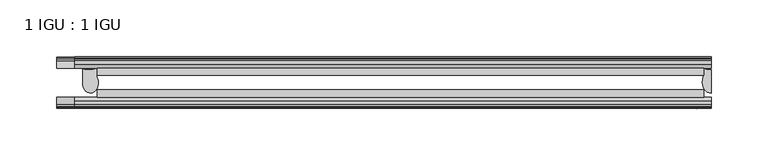
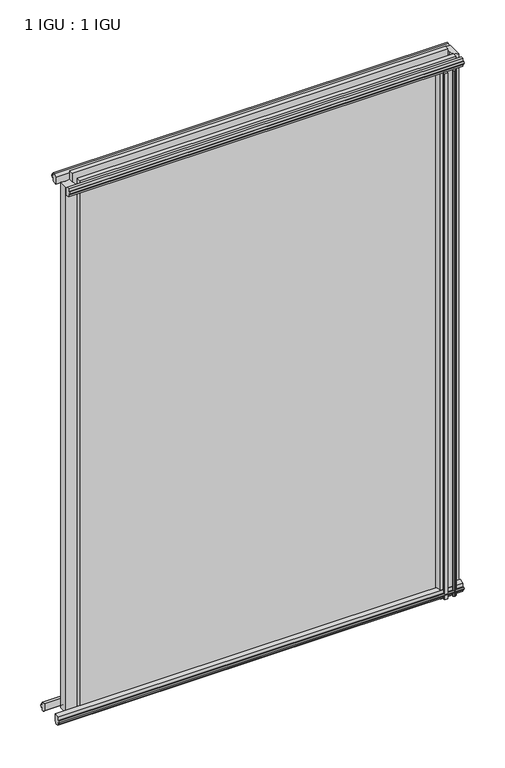
"""IFC4 building model written with IfcOpenShell, lengths in millimetres: plate geometry, 1 IGU : 1 IGU."""

from ifc_helpers import new_model, si_unit, point, frame, frame_2d, origin, place, context, project, spatial, polyline, circle_curve, ellipse_curve, trimmed, segment, composite_curve, outline, extrude, source, transform, mapped, element, save
from ifc_brep_helpers import plane_surface, cylinder_surface, revolved_surface, extruded_surface, advanced_brep


def plate_1_igu_1_igu_9f496eb1(model_context):
    return source(origin(), model_context, "Body", "SolidModel", [
        extrude(outline(polyline([(-218.0669376, -38.6468937), (314.3091251, -38.6468937), (314.3091251, -44.9460938), (-218.0669376, -44.9460938), (-218.0669376, -38.6468937)])), frame((0.0, 0.0, -12.7), z_axis=(0.0, 0.0, 1.0), x_axis=(1.0, 0.0, 0.0)), (0.0, 0.0, 1.0), 800.0999999),
        extrude(outline(polyline([(-218.0669376, -19.5460937), (314.3091251, -19.5460937), (314.3091251, -25.8960938), (-218.0669376, -25.8960938), (-218.0669376, -19.5460937)])), frame((0.0, 0.0, -12.7), z_axis=(0.0, 0.0, 1.0), x_axis=(1.0, 0.0, 0.0)), (0.0, 0.0, 1.0), 800.0999999),
        advanced_brep(
        [(-230.7979231, -20.0381352, -12.4587), (-218.0979231, -19.5460938, -12.4587), (-218.0979231, -27.1259412, -12.4587), (-230.7979231, -32.2460937, -12.4587), (-230.7979231, -20.0381352, 774.6999999), (-230.7979231, -32.2460937, 774.6999999), (-218.0979231, -27.1259412, 774.6999999), (-218.0979231, -19.5460938, 774.6999999)],
        [
            (0, 1, circle_curve(frame((-225.0811963, -3.4468047, -12.4587), z_axis=(0.0, 0.0, 1.0), x_axis=(1.0, 0.0, 0.0)), 17.5485957)),
            (1, 2),
            (2, 3, ellipse_curve(frame((-223.8617545, -32.2460937, -12.4587), z_axis=(0.0, 0.0, -1.0), x_axis=(0.0, -1.0, 0.0)), 9.2039536, 6.9361686)),
            (3, 0),
            (4, 5),
            (5, 6, ellipse_curve(frame((-223.8617545, -32.2460937, 774.6999999), z_axis=(0.0, 0.0, 1.0), x_axis=(0.0, -1.0, 0.0)), 9.2039536, 6.9361686)),
            (6, 7),
            (7, 4, circle_curve(frame((-225.0811963, -3.4468047, 774.6999999), z_axis=(0.0, 0.0, -1.0), x_axis=(1.0, 0.0, 0.0)), 17.5485957)),
            (0, 4),
            (7, 1),
            (6, 2),
            (5, 3),
        ],
        [
            plane_surface(frame((-253.1903751, -13.1960937, -12.4587), z_axis=(0.0, 0.0, -1.0), x_axis=(0.0, 1.0, 0.0))),
            plane_surface(frame((-253.1903751, -13.1960937, 774.6999999), z_axis=(0.0, 0.0, 1.0), x_axis=(0.0, 1.0, 0.0))),
            revolved_surface(polyline([(-207.5326006, -3.4468047, 774.6999999), (-207.5326006, -3.4468047, -12.4587)]), (-225.0811963, -3.4468047, -12.4587), (0.0, 0.0, 1.0)),
            plane_surface(frame((-218.0979231, -19.5460938, -12.4587), z_axis=(1.0, 0.0, 0.0), x_axis=(0.0, 0.0, 1.0))),
            extruded_surface(trimmed(ellipse_curve(frame((-223.8617545, -32.2460937, 774.6999999), z_axis=(0.0, 0.0, -1.0), x_axis=(0.0, -1.0, 0.0)), 9.2039536, 6.9361686), [point((-218.0979231, -27.1259412, 774.6999999))], [point((-230.7979231, -32.2460937, 774.6999999))], True, "CARTESIAN"), (0.0, 0.0, -787.1586999), 787.1586999),
            plane_surface(frame((-230.7979231, -32.2460937, -12.4587), z_axis=(-1.0, 0.0, 0.0), x_axis=(0.0, 0.0, 1.0))),
        ],
        [
            (0, [[1, 2, 3, 4]]),
            (1, [[5, 6, 7, 8]]),
            (2, [[-1, 9, -8, 10]]),
            (3, [[-2, -10, -7, 11]]),
            (4, [[-3, -11, -6, 12]]),
            (5, [[-4, -12, -5, -9]]),
        ],
    ),
        advanced_brep(
        [(320.6591251, -21.1709383, -12.4587), (320.6591251, -41.5384061, -12.4587), (313.1367879, -32.2460938, -12.4587), (314.3091251, -25.8452938, -12.4587), (314.3091251, -19.5460938, -12.4587), (320.6591251, -21.1709383, 787.3999999), (314.3091251, -19.5460938, 787.3999999), (314.3091251, -25.8452938, 787.3999999), (313.1367879, -32.2460938, 787.3999999), (320.6591251, -41.5384061, 787.3999999)],
        [
            (0, 1),
            (1, 2, ellipse_curve(frame((320.6591251, -32.2460938, -12.4587), z_axis=(0.0, 0.0, -1.0), x_axis=(0.0, -1.0, 0.0)), 9.2923124, 7.5223371)),
            (2, 3, circle_curve(frame((331.1967014, -32.2460938, -12.4587), z_axis=(0.0, 0.0, -1.0), x_axis=(1.0, 0.0, 0.0)), 18.0599135)),
            (3, 4),
            (4, 0, circle_curve(frame((320.6591251, -7.950406, -12.4587), z_axis=(0.0, 0.0, 1.0), x_axis=(1.0, 0.0, 0.0)), 13.2205323)),
            (5, 6, circle_curve(frame((320.6591251, -7.950406, 787.3999999), z_axis=(0.0, 0.0, -1.0), x_axis=(1.0, 0.0, 0.0)), 13.2205323)),
            (6, 7),
            (7, 8, circle_curve(frame((331.1967014, -32.2460938, 787.3999999), z_axis=(0.0, 0.0, 1.0), x_axis=(1.0, 0.0, 0.0)), 18.0599135)),
            (8, 9, ellipse_curve(frame((320.6591251, -32.2460938, 787.3999999), z_axis=(0.0, 0.0, 1.0), x_axis=(0.0, -1.0, 0.0)), 9.2923124, 7.5223371)),
            (9, 5),
            (1, 9),
            (8, 2),
            (7, 3),
            (6, 4),
            (5, 0),
        ],
        [
            plane_surface(frame((320.6591251, -13.1960938, -12.4587), z_axis=(0.0, 0.0, -1.0), x_axis=(0.0, 1.0, 0.0))),
            plane_surface(frame((320.6591251, -13.1960938, 787.3999999), z_axis=(0.0, 0.0, 1.0), x_axis=(0.0, 1.0, 0.0))),
            extruded_surface(trimmed(ellipse_curve(frame((320.6591251, -32.2460938, 787.3999999), z_axis=(0.0, 0.0, -1.0), x_axis=(0.0, -1.0, 0.0)), 9.2923124, 7.5223371), [point((320.6591251, -41.5384061, 787.3999999))], [point((313.1367879, -32.2460938, 787.3999999))], True, "CARTESIAN"), (0.0, 0.0, -799.8586999), 799.8586999),
            cylinder_surface(frame((331.1967014, -32.2460938, -12.4587), z_axis=(0.0, 0.0, -1.0), x_axis=(1.0, 0.0, 0.0)), 18.0599135),
            plane_surface(frame((314.3091251, -25.8452938, -12.4587), z_axis=(-1.0, 0.0, 0.0), x_axis=(0.0, 0.0, 1.0))),
            revolved_surface(polyline([(333.8796574, -7.950406, 787.3999999), (333.8796574, -7.950406, -12.4587)]), (320.6591251, -7.950406, -12.4587), (0.0, 0.0, 1.0)),
            plane_surface(frame((320.6591251, -21.1709383, -12.4587), z_axis=(1.0, 0.0, 0.0), x_axis=(0.0, 0.0, 1.0))),
        ],
        [
            (0, [[1, 2, 3, 4, 5]]),
            (1, [[6, 7, 8, 9, 10]]),
            (2, [[-2, 11, -9, 12]]),
            (3, [[-3, -12, -8, 13]]),
            (4, [[-4, -13, -7, 14]]),
            (5, [[-5, -14, -6, 15]]),
            (6, [[-1, -15, -10, -11]]),
        ],
    ),
        extrude(outline(polyline([(-44.9460937, 1.7177181), (-44.9460937, -9.1036578), (-48.3496937, -11.938), (-51.2960937, -11.938), (-51.2960937, -7.493), (-53.6762907, -7.112), (-53.2163575, -8.5275291), (-54.0175717, -8.5275291), (-54.7250937, -6.35), (-54.0175717, -4.1724709), (-53.2163575, -4.1724709), (-53.6762907, -5.588), (-51.2960937, -5.207), (-51.2960937, 0.0), (-44.9460937, 1.7177181)])), frame((-253.1903751, 0.0, 0.0), z_axis=(1.0, 0.0, 0.0), x_axis=(0.0, 1.0, 0.0)), (0.0, 0.0, 1.0), 573.8495002),
        extrude(outline(polyline([(-13.1960937, -12.4587), (-16.1424937, -12.4587), (-19.5460937, -9.6243578), (-19.5460937, 1.1970181), (-13.1960937, -0.5207), (-13.1960937, -5.7277), (-10.8158968, -6.1087), (-11.27583, -4.6931709), (-10.4746158, -4.6931709), (-9.7670937, -6.8707), (-10.4746158, -9.0482291), (-11.27583, -9.0482291), (-10.8158968, -7.6327), (-13.1960937, -8.0137), (-13.1960937, -12.4587)])), frame((-253.1903751, 0.0, 0.0), z_axis=(1.0, 0.0, 0.0), x_axis=(0.0, 1.0, 0.0)), (0.0, 0.0, 1.0), 573.8495002),
        extrude(outline(polyline([(-51.2960937, 786.6379999), (-48.3496937, 786.6379999), (-44.9460937, 783.8036577), (-44.9460937, 772.9822818), (-51.2960937, 774.6999999), (-51.2960937, 779.9069999), (-53.6762907, 780.2879999), (-53.2163575, 778.8724708), (-54.0175717, 778.8724708), (-54.7250937, 781.0499999), (-54.0175717, 783.2275289), (-53.2163575, 783.2275289), (-53.6762907, 781.8119999), (-51.2960937, 782.1929999), (-51.2960937, 786.6379999)])), frame((-237.6130313, 0.0, 0.0), z_axis=(1.0, 0.0, 0.0), x_axis=(0.0, 1.0, 0.0)), (0.0, 0.0, 1.0), 558.2721564),
        extrude(outline(polyline([(-19.5460937, 773.5029818), (-19.5460937, 784.3243577), (-16.1424937, 787.1586999), (-13.1960937, 787.1586999), (-13.1960937, 782.7136999), (-10.8158968, 782.3326999), (-11.27583, 783.7482289), (-10.4746158, 783.7482289), (-9.7670937, 781.5706999), (-10.4746158, 779.3931708), (-11.27583, 779.3931708), (-10.8158968, 780.8086999), (-13.1960937, 780.4276999), (-13.1960937, 775.2206999), (-19.5460937, 773.5029818)])), frame((-237.6130313, 0.0, 0.0), z_axis=(1.0, 0.0, 0.0), x_axis=(0.0, 1.0, 0.0)), (0.0, 0.0, 1.0), 558.2721564),
        extrude(outline(composite_curve([segment(polyline([(311.1341252, -44.9460938), (311.1341252, -51.2960938), (309.4831252, -51.2960938), (309.4831252, -52.9470938), (310.560756, -52.9470938)]), True, "CONTINUOUS"), segment(trimmed(circle_curve(frame_2d((309.4831252, -52.9470938)), 1.0776307), [point((310.560756, -52.9470938))], [point((310.2451252, -53.7090938))], False, "CARTESIAN"), True, "CONTINUOUS"), segment(polyline([(310.2451252, -53.7090938), (308.5058328, -54.8194621)]), True, "CONTINUOUS"), segment(trimmed(circle_curve(frame_2d((307.9591252, -53.9630938)), 1.016), [point((308.5058328, -54.8194621))], [point((307.4124176, -54.8194621))], False, "CARTESIAN"), True, "CONTINUOUS"), segment(polyline([(307.4124176, -54.8194621), (305.6731252, -53.7090938)]), True, "CONTINUOUS"), segment(trimmed(circle_curve(frame_2d((306.4351252, -52.9470938)), 1.0776307), [point((305.6731252, -53.7090938))], [point((305.3574945, -52.9470938))], False, "CARTESIAN"), True, "CONTINUOUS"), segment(polyline([(305.3574945, -52.9470938), (306.4351252, -52.9470938), (306.4351252, -51.2960938), (297.3673252, -51.2960938)]), True, "CONTINUOUS"), segment(trimmed(circle_curve(frame_2d((297.3673252, -51.7532938)), 0.4572), [point((297.3673252, -51.2960938))], [point((297.0285074, -52.0602698))], True, "CARTESIAN"), True, "CONTINUOUS"), segment(trimmed(circle_curve(frame_2d((295.2591252, -53.663367)), 2.3876), [point((297.0285074, -52.0602698))], [point((297.3297682, -54.8520938))], False, "CARTESIAN"), True, "CONTINUOUS"), segment(polyline([(297.3297682, -54.8520938), (293.1884822, -54.8520938)]), True, "CONTINUOUS"), segment(trimmed(circle_curve(frame_2d((295.2591252, -53.663367)), 2.3876), [point((293.1884822, -54.8520938))], [point((293.4897431, -52.0602698))], False, "CARTESIAN"), True, "CONTINUOUS"), segment(trimmed(circle_curve(frame_2d((293.1509252, -51.7532938)), 0.4572), [point((293.4897431, -52.0602698))], [point((293.1509252, -51.2960938))], True, "CARTESIAN"), True, "CONTINUOUS"), segment(polyline([(293.1509252, -51.2960938), (288.9091252, -51.2960938)]), True, "CONTINUOUS"), segment(trimmed(circle_curve(frame_2d((279.8931938, -51.9750196)), 9.0414579), [point((288.9091252, -51.2960938))], [point((285.5802107, -44.9460938))], True, "CARTESIAN"), True, "CONTINUOUS"), segment(polyline([(285.5802107, -44.9460938), (311.1341252, -44.9460938)]), True, "CONTINUOUS")], self_intersect=False)), frame((0.0, 0.0, -12.7), z_axis=(0.0, 0.0, 1.0), x_axis=(1.0, 0.0, 0.0)), (0.0, 0.0, 1.0), 787.3999999),
    ])


if __name__ == "__main__":
    model = new_model("IFC4")
    model_context = context("Model", 3, world=origin())
    ifc_project = project(units=[si_unit("LENGTHUNIT", "METRE", prefix="MILLI")], contexts=[model_context])
    site = spatial("IfcSite", under=ifc_project)
    building = spatial("IfcBuilding", under=site)
    placement = place(None, origin())
    plate_1_igu_1_igu_shape = plate_1_igu_1_igu_9f496eb1(model_context)
    element("IfcPlate", 1, ObjectType="1 IGU : 1 IGU", at=placement, inside=building, context=model_context, shape_type="MappedRepresentation", body=[
        mapped(plate_1_igu_1_igu_shape, transform((0.0, 0.0, 0.0), x_axis=(1.0, 0.0, 0.0), y_axis=(0.0, 1.0, 0.0), z_axis=(0.0, 0.0, 1.0))),
    ])
    save(model, "model.ifc")
